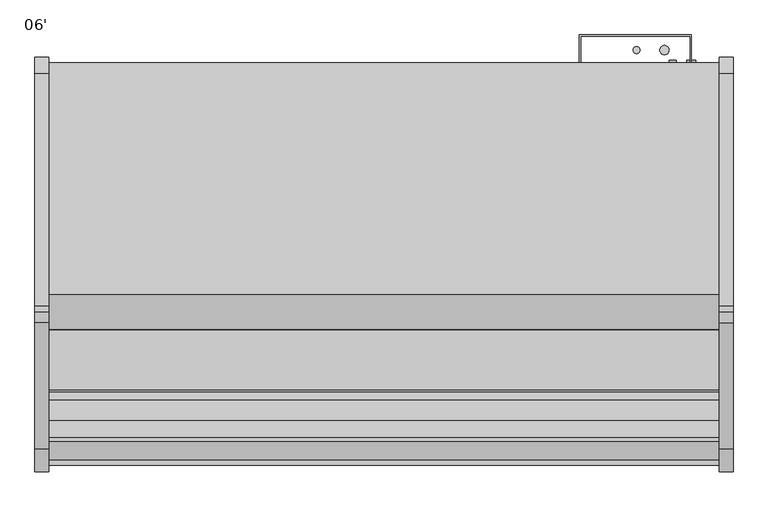
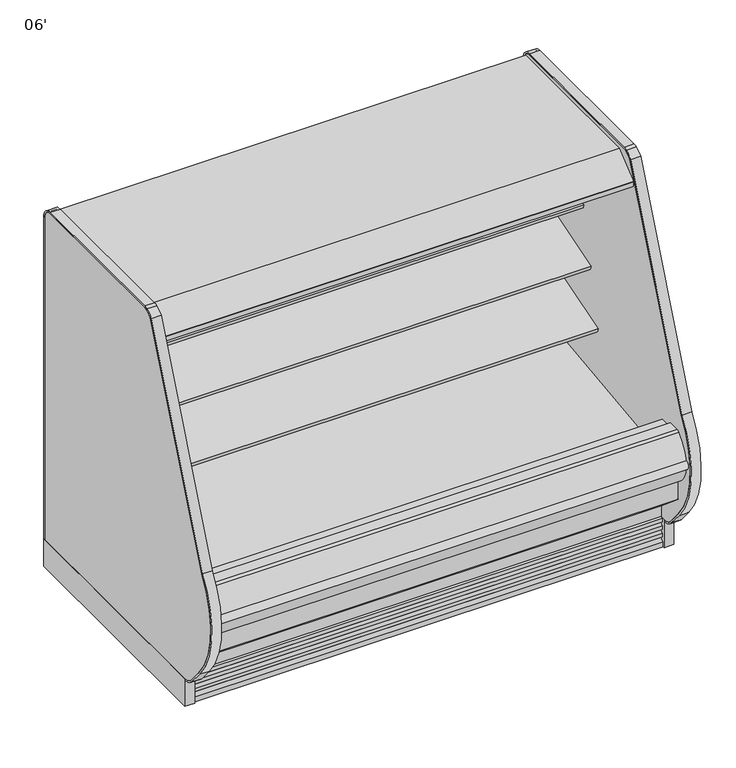
"""IFC4 building model written with IfcOpenShell, lengths in millimetres: proxy geometry, 06'."""

from ifc_helpers import new_model, si_unit, point, frame, frame_2d, origin, origin_with_axes, place, context, project, spatial, polyline, circle_curve, trimmed, segment, composite_curve, outline, extrude, source, transform, mapped, element, save
from ifc_brep_helpers import plane_surface, cylinder_surface, revolved_surface, advanced_brep


def proxy_06_d00bacb0(model_context):
    return source(origin(), model_context, "Body", "SolidModel", [
        extrude(outline(composite_curve([segment(polyline([(-514.4888601, 1379.0768001), (-504.7813461, 1382.0750951), (-504.5146416, 1381.2115916), (-503.4474703, 1381.2115916), (-503.4474703, 1287.4472598), (-528.7426845, 1283.8944637)]), True, "CONTINUOUS"), segment(trimmed(circle_curve(frame_2d((-528.8825674, 1285.4681389)), 1.57988), [point((-528.7426845, 1283.8944637))], [point((-530.4470722, 1285.2482621))], False, "CARTESIAN"), True, "CONTINUOUS"), segment(polyline([(-530.4470722, 1285.2482621), (-531.3318818, 1291.5440101), (-530.5471142, 1291.654302), (-529.5527196, 1284.5788169), (-505.9719612, 1287.8928764), (-520.0679999, 1388.1914034), (-542.8285813, 1385.1690478)]), True, "CONTINUOUS"), segment(trimmed(circle_curve(frame_2d((-542.7249331, 1384.3884994)), 0.7874), [point((-542.8285813, 1385.1690478))], [point((-543.5054815, 1384.2848511))], True, "CARTESIAN"), True, "CONTINUOUS"), segment(polyline([(-543.5054815, 1384.2848511), (-542.4823725, 1376.580081), (-543.2629211, 1376.4764348), (-544.2860298, 1384.1812028)]), True, "CONTINUOUS"), segment(trimmed(circle_curve(frame_2d((-542.7249331, 1384.3884994)), 1.5748), [point((-544.2860298, 1384.1812028))], [point((-542.9322296, 1385.9495962))], False, "CARTESIAN"), True, "CONTINUOUS"), segment(polyline([(-542.9322296, 1385.9495962), (-518.9678184, 1389.1318072)]), True, "CONTINUOUS"), segment(trimmed(circle_curve(frame_2d((-518.7605219, 1387.5707104)), 1.5748), [point((-518.9678184, 1389.1318072))], [point((-517.2558572, 1388.0354462))], False, "CARTESIAN"), True, "CONTINUOUS"), segment(polyline([(-517.2558572, 1388.0354462), (-514.4888601, 1379.0768001)]), True, "CONTINUOUS")], self_intersect=False)), frame((0.0, 0.0, 0.0), z_axis=(1.0, 0.0, 0.0), x_axis=(0.0, 1.0, 0.0)), (0.0, 0.0, 1.0), 1828.8),
        extrude(outline(polyline([(-401.512379, 1460.3537164), (-401.512379, 1413.9257811), (-452.2793831, 1413.9257811), (-452.2793831, 1381.2115916), (-917.2646416, 1381.2115916), (-919.3438906, 1387.9435306), (-924.1383368, 1386.4627021), (-948.2083769, 1415.1482588), (-1054.9766947, 1415.1482588), (-1055.8148947, 1414.3100588), (-1055.8148947, 1403.1848588), (-1056.3729843, 1402.0060488), (-1101.0108272, 1365.4300488), (-1101.9767376, 1365.0848588), (-1113.4733607, 1365.0848588), (-1113.4733607, 1363.1530833), (-1129.3737607, 1363.1530833), (-1129.3737607, 1381.4220333), (-1128.7805992, 1382.6656223), (-1032.8437928, 1460.3537164), (-401.512379, 1460.3537164)])), frame((0.0, 0.0, 0.0), z_axis=(1.0, 0.0, 0.0), x_axis=(0.0, 1.0, 0.0)), (0.0, 0.0, 1.0), 1828.8),
        extrude(outline(composite_curve([segment(polyline([(-505.9719612, 1287.8928764), (-529.5527196, 1284.5788169), (-530.5471142, 1291.654302), (-542.4775484, 1376.5437523), (-543.5054815, 1384.2848511)]), True, "CONTINUOUS"), segment(trimmed(circle_curve(frame_2d((-542.7249331, 1384.3884994)), 0.7874), [point((-543.5054815, 1384.2848511))], [point((-542.8285813, 1385.1690478))], False, "CARTESIAN"), True, "CONTINUOUS"), segment(polyline([(-542.8285813, 1385.1690478), (-520.0679999, 1388.1914034), (-505.9719612, 1287.8928764)]), True, "CONTINUOUS")], self_intersect=False)), frame((0.0, 0.0, 0.0), z_axis=(1.0, 0.0, 0.0), x_axis=(0.0, 1.0, 0.0)), (0.0, 0.0, 1.0), 1828.8),
        extrude(outline(composite_curve([segment(trimmed(circle_curve(frame_2d((-999.7570947, 1392.4692338)), 14.2875), [point((-1014.0445947, 1392.4692338))], [point((-985.4695947, 1392.4692338))], False, "CARTESIAN"), True, "CONTINUOUS"), segment(trimmed(circle_curve(frame_2d((-999.7570947, 1392.4692338)), 14.2875), [point((-985.4695947, 1392.4692338))], [point((-1014.0445947, 1392.4692338))], False, "CARTESIAN"), True, "CONTINUOUS")], self_intersect=False)), frame((0.0, 0.0, 0.0), z_axis=(1.0, 0.0, 0.0), x_axis=(0.0, 1.0, 0.0)), (0.0, 0.0, 1.0), 1828.8),
        extrude(outline(composite_curve([segment(trimmed(circle_curve(frame_2d((-1037.1458947, 1392.4692338)), 14.2875), [point((-1051.4333947, 1392.4692338))], [point((-1022.8583947, 1392.4692338))], False, "CARTESIAN"), True, "CONTINUOUS"), segment(trimmed(circle_curve(frame_2d((-1037.1458947, 1392.4692338)), 14.2875), [point((-1022.8583947, 1392.4692338))], [point((-1051.4333947, 1392.4692338))], False, "CARTESIAN"), True, "CONTINUOUS")], self_intersect=False)), frame((0.0, 0.0, 0.0), z_axis=(1.0, 0.0, 0.0), x_axis=(0.0, 1.0, 0.0)), (0.0, 0.0, 1.0), 1828.8),
        extrude(outline(composite_curve([segment(trimmed(circle_curve(frame_2d((1583.9400636, -1128.5839273)), 9.525), [point((1574.4150636, -1128.5839273))], [point((1593.4650636, -1128.5839273))], False, "CARTESIAN"), True, "CONTINUOUS"), segment(trimmed(circle_curve(frame_2d((1583.9400636, -1128.5839273)), 9.525), [point((1593.4650636, -1128.5839273))], [point((1574.4150636, -1128.5839273))], False, "CARTESIAN"), True, "CONTINUOUS")], self_intersect=False)), frame((0.0, 0.0, 68.5310382), z_axis=(0.0, 0.0, 1.0), x_axis=(1.0, 0.0, 0.0)), (0.0, 0.0, 1.0), 52.7807458),
        extrude(outline(composite_curve([segment(trimmed(circle_curve(frame_2d((1627.4110784, -1128.5839273)), 12.7), [point((1614.7110784, -1128.5839273))], [point((1640.1110784, -1128.5839273))], False, "CARTESIAN"), True, "CONTINUOUS"), segment(trimmed(circle_curve(frame_2d((1627.4110784, -1128.5839273)), 12.7), [point((1640.1110784, -1128.5839273))], [point((1614.7110784, -1128.5839273))], False, "CARTESIAN"), True, "CONTINUOUS")], self_intersect=False)), frame((0.0, 0.0, 68.5310382), z_axis=(0.0, 0.0, 1.0), x_axis=(1.0, 0.0, 0.0)), (0.0, 0.0, 1.0), 52.7807458),
        extrude(outline(polyline([(0.0, -385.6339273), (0.0, -1335.5812273), (-38.1, -1335.5812273), (-38.1, -385.6339273), (0.0, -385.6339273)])), origin_with_axes(), (0.0, 0.0, 1.0), 114.3),
        extrude(outline(composite_curve([segment(polyline([(-1335.5812273, 114.3), (-1335.5812273, 107.95)]), True, "CONTINUOUS"), segment(trimmed(circle_curve(frame_2d((-1335.5812273, 171.45)), 63.5), [point((-1335.5812273, 107.95))], [point((-1384.2250494, 130.6329868))], False, "CARTESIAN"), True, "CONTINUOUS"), segment(polyline([(-1384.2250494, 130.6329868), (-1436.0410491, 192.3848905)]), True, "CONTINUOUS"), segment(trimmed(circle_curve(frame_2d((-1168.5000273, 416.8784632)), 349.25), [point((-1436.0410491, 192.3848905))], [point((-1454.3903468, 617.483268))], False, "CARTESIAN"), True, "CONTINUOUS"), segment(polyline([(-1454.3903468, 617.483268), (-1110.732737, 1459.5627752)]), True, "CONTINUOUS"), segment(trimmed(circle_curve(frame_2d((-1055.3093188, 1414.5072746)), 71.4265596), [point((-1110.732737, 1459.5627752))], [point((-1080.5868944, 1481.3114481))], False, "CARTESIAN"), True, "CONTINUOUS"), segment(trimmed(circle_curve(frame_2d((-1064.856216, 1439.73804)), 44.45), [point((-1080.5868944, 1481.3114481))], [point((-1064.856216, 1484.18804))], False, "CARTESIAN"), True, "CONTINUOUS"), segment(polyline([(-1064.856216, 1484.18804), (-430.0839273, 1484.18804)]), True, "CONTINUOUS"), segment(trimmed(circle_curve(frame_2d((-430.0839273, 1439.73804)), 44.45), [point((-430.0839273, 1484.18804))], [point((-385.6339273, 1439.73804))], False, "CARTESIAN"), True, "CONTINUOUS"), segment(polyline([(-385.6339273, 1439.73804), (-385.6339273, 114.3), (-391.9839273, 114.3), (-391.9839273, 1439.73804)]), True, "CONTINUOUS"), segment(trimmed(circle_curve(frame_2d((-430.0839273, 1439.73804)), 38.1), [point((-391.9839273, 1439.73804))], [point((-430.0839273, 1477.83804))], True, "CARTESIAN"), True, "CONTINUOUS"), segment(polyline([(-430.0839273, 1477.83804), (-1064.856216, 1477.83804)]), True, "CONTINUOUS"), segment(trimmed(circle_curve(frame_2d((-1064.856216, 1439.73804)), 38.1), [point((-1064.856216, 1477.83804))], [point((-1078.3396546, 1475.3723898))], True, "CARTESIAN"), True, "CONTINUOUS"), segment(trimmed(circle_curve(frame_2d((-1055.3093188, 1414.5072746)), 65.0765596), [point((-1078.3396546, 1475.3723898))], [point((-1103.7237451, 1457.9929266))], True, "CARTESIAN"), True, "CONTINUOUS"), segment(polyline([(-1103.7237451, 1457.9929266), (-1449.192341, 613.8359079)]), True, "CONTINUOUS"), segment(trimmed(circle_curve(frame_2d((-1168.5000273, 416.8784632)), 342.9), [point((-1449.192341, 613.8359079))], [point((-1431.1766668, 196.4665918))], True, "CARTESIAN"), True, "CONTINUOUS"), segment(polyline([(-1431.1766668, 196.4665918), (-1379.3606672, 134.7146881)]), True, "CONTINUOUS"), segment(trimmed(circle_curve(frame_2d((-1335.5812273, 171.45)), 57.15), [point((-1379.3606672, 134.7146881))], [point((-1335.5812273, 114.3))], True, "CARTESIAN"), True, "CONTINUOUS")], self_intersect=False)), frame((-38.1, 0.0, 0.0), z_axis=(1.0, 0.0, 0.0), x_axis=(0.0, 1.0, 0.0)), (0.0, 0.0, 1.0), 38.1),
        extrude(outline(composite_curve([segment(trimmed(circle_curve(frame_2d((-1335.5812273, 171.45)), 57.15), [point((-1335.5812273, 114.3))], [point((-1379.3606672, 134.7146881))], False, "CARTESIAN"), True, "CONTINUOUS"), segment(polyline([(-1379.3606672, 134.7146881), (-1431.1766668, 196.4665918)]), True, "CONTINUOUS"), segment(trimmed(circle_curve(frame_2d((-1168.5000273, 416.8784632)), 342.9), [point((-1431.1766668, 196.4665918))], [point((-1449.192341, 613.8359079))], False, "CARTESIAN"), True, "CONTINUOUS"), segment(polyline([(-1449.192341, 613.8359079), (-1103.7237451, 1457.9929266)]), True, "CONTINUOUS"), segment(trimmed(circle_curve(frame_2d((-1055.3093188, 1414.5072746)), 65.0765596), [point((-1103.7237451, 1457.9929266))], [point((-1078.3396546, 1475.3723898))], False, "CARTESIAN"), True, "CONTINUOUS"), segment(trimmed(circle_curve(frame_2d((-1064.856216, 1439.73804)), 38.1), [point((-1078.3396546, 1475.3723898))], [point((-1064.856216, 1477.83804))], False, "CARTESIAN"), True, "CONTINUOUS"), segment(polyline([(-1064.856216, 1477.83804), (-430.0839273, 1477.83804)]), True, "CONTINUOUS"), segment(trimmed(circle_curve(frame_2d((-430.0839273, 1439.73804)), 38.1), [point((-430.0839273, 1477.83804))], [point((-391.9839273, 1439.73804))], False, "CARTESIAN"), True, "CONTINUOUS"), segment(polyline([(-391.9839273, 1439.73804), (-391.9839273, 114.3), (-1335.5812273, 114.3)]), True, "CONTINUOUS")], self_intersect=False)), frame((-38.1, 0.0, 0.0), z_axis=(1.0, 0.0, 0.0), x_axis=(0.0, 1.0, 0.0)), (0.0, 0.0, 1.0), 38.1),
        advanced_brep(
        [(1828.8, -503.4770145, 962.9449857), (1828.8, -843.5389858, 858.9776075), (1828.8, -839.3802906, 845.3751286), (1828.8, -785.6094334, 861.8145294), (1828.8, -783.1797893, 858.9595892), (1828.8, -595.4632769, 891.5703852), (1828.8, -560.8291108, 887.8925043), (1828.8, -539.533713, 879.2978657), (1828.8, -522.1893768, 878.6915182), (1828.8, -503.4770145, 884.7372079), (0.0, -503.4770145, 962.9449857), (0.0, -503.4770145, 884.7372079), (0.0, -522.1820399, 878.668903), (0.0, -539.533713, 879.2978657), (0.0, -560.8291108, 887.8925043), (0.0, -595.4632769, 891.5703852), (0.0, -783.1797893, 858.9595892), (0.0, -785.6094334, 861.8145294), (0.0, -839.3802906, 845.3751286), (0.0, -843.5389858, 858.9776075)],
        [
            (0, 1),
            (1, 2),
            (2, 3),
            (3, 4),
            (4, 5),
            (5, 6, circle_curve(frame((1828.8, -584.5946142, 829.0074396), z_axis=(-1.0, 0.0, 0.0), x_axis=(0.0, 1.0, 0.0)), 63.5)),
            (6, 7),
            (7, 8, circle_curve(frame((1828.8, -530.0275116, 902.8518916), z_axis=(1.0, 0.0, 0.0), x_axis=(0.0, 1.0, 0.0)), 25.4)),
            (8, 9),
            (9, 0),
            (10, 11),
            (11, 12),
            (12, 13, circle_curve(frame((0.0, -530.0275116, 902.8518916), z_axis=(-1.0, 0.0, 0.0), x_axis=(0.0, 1.0, 0.0)), 25.4)),
            (13, 14),
            (14, 15, circle_curve(frame((0.0, -584.5946142, 829.0074396), z_axis=(1.0, 0.0, 0.0), x_axis=(0.0, 1.0, 0.0)), 63.5)),
            (15, 16),
            (16, 17),
            (17, 18),
            (18, 19),
            (19, 10),
            (0, 10),
            (19, 1),
            (2, 18),
            (17, 3),
            (8, 12),
            (11, 9),
            (16, 4),
            (15, 5),
            (14, 6),
            (13, 7),
        ],
        [
            plane_surface(frame((1828.8, -503.4770145, 962.9449857), z_axis=(1.0, 0.0, 0.0), x_axis=(0.0, -0.9563047559631226, -0.2923717047224518))),
            plane_surface(frame((0.0, -503.4770145, 962.9449857), z_axis=(-1.0, 0.0, 0.0), x_axis=(0.0, 0.9563047559631226, 0.2923717047224518))),
            plane_surface(frame((1828.8, -503.4770145, 962.9449857), z_axis=(0.0, -0.2923717047224518, 0.9563047559631226), x_axis=(-1.0, 0.0, 0.0))),
            plane_surface(frame((1828.8, -839.3802906, 845.3751286), z_axis=(0.0, 0.2923717047224529, -0.9563047559631223), x_axis=(-1.0, 0.0, 0.0))),
            plane_surface(frame((1828.8, -522.1820399, 878.668903), z_axis=(0.0, 0.3085879853198186, -0.9511958028272914), x_axis=(-1.0, 0.0, 0.0))),
            plane_surface(frame((1828.8, -503.4770145, 884.7372079), z_axis=(0.0, 1.0, 0.0), x_axis=(-1.0, 0.0, 0.0))),
            plane_surface(frame((1828.8, -843.5389858, 858.9776075), z_axis=(0.0, -0.9563047559631227, -0.29237170472245155), x_axis=(-1.0, 0.0, 0.0))),
            plane_surface(frame((1828.8, -785.6094334, 861.8145294), z_axis=(0.0, -0.761551533788134, -0.648104359949029), x_axis=(-1.0, 0.0, 0.0))),
            plane_surface(frame((1828.8, -783.1797893, 858.9595892), z_axis=(0.0, 0.17116004276831903, -0.9852432388804032), x_axis=(-1.0, 0.0, 0.0))),
            revolved_surface(polyline([(0.0, -521.0946142, 829.0074396), (1828.8, -521.0946142, 829.0074396)]), (0.0, -584.5946142, 829.0074396), (-1.0, 0.0, 0.0)),
            plane_surface(frame((1828.8, -560.8291108, 887.8925043), z_axis=(0.0, -0.374259895190447, -0.9273238543529632), x_axis=(-1.0, 0.0, 0.0))),
            cylinder_surface(frame((0.0, -530.0275116, 902.8518916), z_axis=(1.0, 0.0, 0.0), x_axis=(0.0, 1.0, 0.0)), 25.4),
        ],
        [
            (0, [[1, 2, 3, 4, 5, 6, 7, 8, 9, 10]]),
            (1, [[11, 12, 13, 14, 15, 16, 17, 18, 19, 20]]),
            (2, [[-1, 21, -20, 22]]),
            (3, [[-3, 23, -18, 24]]),
            (4, [[-9, 25, -12, 26]]),
            (5, [[-10, -26, -11, -21]]),
            (6, [[-2, -22, -19, -23]]),
            (7, [[-4, -24, -17, 27]]),
            (8, [[-5, -27, -16, 28]]),
            (9, [[-6, -28, -15, 29]]),
            (10, [[-7, -29, -14, 30]]),
            (11, [[-8, -30, -13, -25]]),
        ],
    ),
        extrude(outline(polyline([(1866.9, -385.6339273), (1866.9, -1335.5812273), (1828.8, -1335.5812273), (1828.8, -385.6339273), (1866.9, -385.6339273)])), origin_with_axes(), (0.0, 0.0, 1.0), 114.3),
        extrude(outline(composite_curve([segment(polyline([(-1335.5812273, 114.3), (-1335.5812273, 107.95)]), True, "CONTINUOUS"), segment(trimmed(circle_curve(frame_2d((-1335.5812273, 171.45)), 63.5), [point((-1335.5812273, 107.95))], [point((-1384.2250494, 130.6329868))], False, "CARTESIAN"), True, "CONTINUOUS"), segment(polyline([(-1384.2250494, 130.6329868), (-1436.0410491, 192.3848905)]), True, "CONTINUOUS"), segment(trimmed(circle_curve(frame_2d((-1168.5000273, 416.8784632)), 349.25), [point((-1436.0410491, 192.3848905))], [point((-1454.3903468, 617.483268))], False, "CARTESIAN"), True, "CONTINUOUS"), segment(polyline([(-1454.3903468, 617.483268), (-1110.1198402, 1460.306403)]), True, "CONTINUOUS"), segment(trimmed(circle_curve(frame_2d((-1055.3093188, 1414.5072746)), 71.4265596), [point((-1110.1198402, 1460.306403))], [point((-1080.5868944, 1481.3114481))], False, "CARTESIAN"), True, "CONTINUOUS"), segment(trimmed(circle_curve(frame_2d((-1064.856216, 1439.73804)), 44.45), [point((-1080.5868944, 1481.3114481))], [point((-1064.856216, 1484.18804))], False, "CARTESIAN"), True, "CONTINUOUS"), segment(polyline([(-1064.856216, 1484.18804), (-430.0839273, 1484.18804)]), True, "CONTINUOUS"), segment(trimmed(circle_curve(frame_2d((-430.0839273, 1439.73804)), 44.45), [point((-430.0839273, 1484.18804))], [point((-385.6339273, 1439.73804))], False, "CARTESIAN"), True, "CONTINUOUS"), segment(polyline([(-385.6339273, 1439.73804), (-385.6339273, 114.3), (-391.9839273, 114.3), (-391.9839273, 1439.73804)]), True, "CONTINUOUS"), segment(trimmed(circle_curve(frame_2d((-430.0839273, 1439.73804)), 38.1), [point((-391.9839273, 1439.73804))], [point((-430.0839273, 1477.83804))], True, "CARTESIAN"), True, "CONTINUOUS"), segment(polyline([(-430.0839273, 1477.83804), (-1064.856216, 1477.83804)]), True, "CONTINUOUS"), segment(trimmed(circle_curve(frame_2d((-1064.856216, 1439.73804)), 38.1), [point((-1064.856216, 1477.83804))], [point((-1078.3396546, 1475.3723898))], True, "CARTESIAN"), True, "CONTINUOUS"), segment(trimmed(circle_curve(frame_2d((-1055.3093188, 1414.5072746)), 65.0765596), [point((-1078.3396546, 1475.3723898))], [point((-1103.7237451, 1457.9929266))], True, "CARTESIAN"), True, "CONTINUOUS"), segment(polyline([(-1103.7237451, 1457.9929266), (-1449.192341, 613.8359079)]), True, "CONTINUOUS"), segment(trimmed(circle_curve(frame_2d((-1168.5000273, 416.8784632)), 342.9), [point((-1449.192341, 613.8359079))], [point((-1431.1766668, 196.4665918))], True, "CARTESIAN"), True, "CONTINUOUS"), segment(polyline([(-1431.1766668, 196.4665918), (-1379.3606672, 134.7146881)]), True, "CONTINUOUS"), segment(trimmed(circle_curve(frame_2d((-1335.5812273, 171.45)), 57.15), [point((-1379.3606672, 134.7146881))], [point((-1335.5812273, 114.3))], True, "CARTESIAN"), True, "CONTINUOUS")], self_intersect=False)), frame((1828.8, 0.0, 0.0), z_axis=(1.0, 0.0, 0.0), x_axis=(0.0, 1.0, 0.0)), (0.0, 0.0, 1.0), 38.1),
        extrude(outline(composite_curve([segment(trimmed(circle_curve(frame_2d((-1335.5812273, 171.45)), 57.15), [point((-1335.5812273, 114.3))], [point((-1379.3606672, 134.7146881))], False, "CARTESIAN"), True, "CONTINUOUS"), segment(polyline([(-1379.3606672, 134.7146881), (-1431.1766668, 196.4665918)]), True, "CONTINUOUS"), segment(trimmed(circle_curve(frame_2d((-1168.5000273, 416.8784632)), 342.9), [point((-1431.1766668, 196.4665918))], [point((-1449.192341, 613.8359079))], False, "CARTESIAN"), True, "CONTINUOUS"), segment(polyline([(-1449.192341, 613.8359079), (-1103.7237451, 1457.9929266)]), True, "CONTINUOUS"), segment(trimmed(circle_curve(frame_2d((-1055.3093188, 1414.5072746)), 65.0765596), [point((-1103.7237451, 1457.9929266))], [point((-1078.3396546, 1475.3723898))], False, "CARTESIAN"), True, "CONTINUOUS"), segment(trimmed(circle_curve(frame_2d((-1064.856216, 1439.73804)), 38.1), [point((-1078.3396546, 1475.3723898))], [point((-1064.856216, 1477.83804))], False, "CARTESIAN"), True, "CONTINUOUS"), segment(polyline([(-1064.856216, 1477.83804), (-430.0839273, 1477.83804)]), True, "CONTINUOUS"), segment(trimmed(circle_curve(frame_2d((-430.0839273, 1439.73804)), 38.1), [point((-430.0839273, 1477.83804))], [point((-391.9839273, 1439.73804))], False, "CARTESIAN"), True, "CONTINUOUS"), segment(polyline([(-391.9839273, 1439.73804), (-391.9839273, 114.3), (-1335.5812273, 114.3)]), True, "CONTINUOUS")], self_intersect=False)), frame((1828.8, 0.0, 0.0), z_axis=(1.0, 0.0, 0.0), x_axis=(0.0, 1.0, 0.0)), (0.0, 0.0, 1.0), 38.1),
        extrude(outline(composite_curve([segment(polyline([(-503.4770145, 1171.6412699), (-503.4770145, 1093.4334921), (-520.8520366, 1087.7966684)]), True, "CONTINUOUS"), segment(trimmed(circle_curve(frame_2d((-528.6901714, 1111.9570418)), 25.4), [point((-520.8520366, 1087.7966684))], [point((-538.1963728, 1088.4030158))], False, "CARTESIAN"), True, "CONTINUOUS"), segment(polyline([(-538.1963728, 1088.4030158), (-559.4917707, 1096.9976544)]), True, "CONTINUOUS"), segment(trimmed(circle_curve(frame_2d((-583.257274, 1038.1125897)), 63.5), [point((-559.4917707, 1096.9976544))], [point((-594.1259367, 1100.6755354))], True, "CARTESIAN"), True, "CONTINUOUS"), segment(polyline([(-594.1259367, 1100.6755354), (-731.8940366, 1083.3355015), (-734.3236807, 1086.1904418), (-790.800009, 1068.9238954), (-794.9587042, 1082.5263743), (-503.4770145, 1171.6412699)]), True, "CONTINUOUS")], self_intersect=False)), frame((0.0, 0.0, 0.0), z_axis=(1.0, 0.0, 0.0), x_axis=(0.0, 1.0, 0.0)), (0.0, 0.0, 1.0), 1828.8),
        extrude(outline(composite_curve([segment(polyline([(-503.4770145, 671.8796647), (-522.1893768, 665.8089796)]), True, "CONTINUOUS"), segment(trimmed(circle_curve(frame_2d((-530.0275116, 689.969353)), 25.4), [point((-522.1893768, 665.8089796))], [point((-539.533713, 666.4153271))], False, "CARTESIAN"), True, "CONTINUOUS"), segment(polyline([(-539.533713, 666.4153271), (-560.8291108, 675.0099657)]), True, "CONTINUOUS"), segment(trimmed(circle_curve(frame_2d((-584.5946142, 616.1249009)), 63.5), [point((-560.8291108, 675.0099657))], [point((-595.4632769, 678.6878466))], True, "CARTESIAN"), True, "CONTINUOUS"), segment(polyline([(-595.4632769, 678.6878466), (-783.1797893, 646.0770506), (-785.6094334, 648.9319908), (-887.9605722, 617.6401074), (-892.1192674, 631.2425862), (-503.4770145, 750.062447), (-503.4770145, 671.8796647)]), True, "CONTINUOUS")], self_intersect=False)), frame((0.0, 0.0, 0.0), z_axis=(1.0, 0.0, 0.0), x_axis=(0.0, 1.0, 0.0)), (0.0, 0.0, 1.0), 1828.8),
        extrude(outline(composite_curve([segment(trimmed(circle_curve(frame_2d((-1361.5699211, 436.6703424)), 127.0351724), [point((-1488.6036317, 437.2797696))], [point((-1486.6937497, 414.7166966))], True, "CARTESIAN"), True, "CONTINUOUS"), segment(trimmed(circle_curve(frame_2d((-1482.3543869, 431.8734576)), 17.69702), [point((-1486.6937497, 414.7166966))], [point((-1485.9120457, 449.209189))], False, "CARTESIAN"), True, "CONTINUOUS"), segment(trimmed(circle_curve(frame_2d((-1313.9651645, 404.1451627)), 177.7540334), [point((-1485.9120457, 449.209189))], [point((-1488.6036317, 437.2797696))], True, "CARTESIAN"), True, "CONTINUOUS")], self_intersect=False)), frame((0.0, 0.0, 0.0), z_axis=(1.0, 0.0, 0.0), x_axis=(0.0, 1.0, 0.0)), (0.0, 0.0, 1.0), 1828.8),
        extrude(outline(composite_curve([segment(polyline([(-1430.5207837, 390.4771975), (-1430.5207837, 349.191578), (-1455.8537478, 349.191578)]), True, "CONTINUOUS"), segment(trimmed(circle_curve(frame_2d((-1360.3674523, 434.1532094)), 127.8127984), [point((-1455.8537478, 349.191578))], [point((-1488.0175216, 440.6007866))], False, "CARTESIAN"), True, "CONTINUOUS"), segment(trimmed(circle_curve(frame_2d((-1312.8856615, 403.1660664)), 179.0880417), [point((-1488.0175216, 440.6007866))], [point((-1434.0757284, 535.020131))], False, "CARTESIAN"), True, "CONTINUOUS"), segment(trimmed(circle_curve(frame_2d((-1421.997786, 522.055071)), 17.7191838), [point((-1434.0757284, 535.020131))], [point((-1422.9245877, 539.75))], False, "CARTESIAN"), True, "CONTINUOUS"), segment(polyline([(-1422.9245877, 539.75), (-1377.3315877, 539.75), (-1377.3315877, 520.4426474), (-1379.5124455, 520.4426474), (-1379.5124455, 390.4771975), (-1430.5207837, 390.4771975)]), True, "CONTINUOUS")], self_intersect=False)), frame((0.0, 0.0, 0.0), z_axis=(1.0, 0.0, 0.0), x_axis=(0.0, 1.0, 0.0)), (0.0, 0.0, 1.0), 1828.8),
        extrude(outline(composite_curve([segment(polyline([(-1305.8908654, 151.2490419), (-1305.8908654, 0.0), (-1329.0357106, 0.0), (-1329.0357106, 19.9045671)]), True, "CONTINUOUS"), segment(trimmed(circle_curve(frame_2d((-1328.499887, 33.5999438)), 13.7058546), [point((-1329.0357106, 19.9045671))], [point((-1315.4179076, 29.51188))], True, "CARTESIAN"), True, "CONTINUOUS"), segment(polyline([(-1315.4179076, 29.51188), (-1311.9288106, 40.67714), (-1322.5660058, 38.5193172), (-1324.5599058, 38.5193172), (-1324.5599058, 51.2193172)]), True, "CONTINUOUS"), segment(trimmed(circle_curve(frame_2d((-1328.9777736, 64.7214645)), 14.2065314), [point((-1324.5599058, 51.2193172))], [point((-1315.4179076, 60.4840631))], True, "CARTESIAN"), True, "CONTINUOUS"), segment(polyline([(-1315.4179076, 60.4840631), (-1311.9288106, 71.6493231), (-1322.5660058, 69.4915004), (-1324.5599058, 69.4915004), (-1324.5599058, 82.1915004)]), True, "CONTINUOUS"), segment(trimmed(circle_curve(frame_2d((-1329.0501489, 95.765064)), 14.2969897), [point((-1324.5599058, 82.1915004))], [point((-1315.4179076, 91.4562462))], True, "CARTESIAN"), True, "CONTINUOUS"), segment(polyline([(-1315.4179076, 91.4562462), (-1311.9288106, 102.4950543), (-1322.5660058, 100.4638704), (-1324.5599058, 100.4638704), (-1324.5599058, 113.1638704)]), True, "CONTINUOUS"), segment(trimmed(circle_curve(frame_2d((-1323.9621412, 124.1285303)), 10.9809422), [point((-1324.5599058, 113.1638704))], [point((-1316.1764071, 116.3849243))], True, "CARTESIAN"), True, "CONTINUOUS"), segment(polyline([(-1316.1764071, 116.3849243), (-1316.1764071, 159.8796362), (-1305.8908654, 151.2490419)]), True, "CONTINUOUS")], self_intersect=False)), frame((0.0, 0.0, 0.0), z_axis=(1.0, 0.0, 0.0), x_axis=(0.0, 1.0, 0.0)), (0.0, 0.0, 1.0), 1828.8),
        extrude(outline(composite_curve([segment(trimmed(circle_curve(frame_2d((1603.375, -366.5839273)), 9.525), [point((1593.85, -366.5839273))], [point((1612.9, -366.5839273))], False, "CARTESIAN"), True, "CONTINUOUS"), segment(trimmed(circle_curve(frame_2d((1603.375, -366.5839273)), 9.525), [point((1612.9, -366.5839273))], [point((1593.85, -366.5839273))], False, "CARTESIAN"), True, "CONTINUOUS")], self_intersect=False)), frame((0.0, 0.0, 938.4284214), z_axis=(0.0, 0.0, 1.0), x_axis=(1.0, 0.0, 0.0)), (0.0, 0.0, 1.0), 359.2448082),
        extrude(outline(composite_curve([segment(trimmed(circle_curve(frame_2d((1679.575, -366.5839273)), 12.7), [point((1666.875, -366.5839273))], [point((1692.275, -366.5839273))], False, "CARTESIAN"), True, "CONTINUOUS"), segment(trimmed(circle_curve(frame_2d((1679.575, -366.5839273)), 12.7), [point((1692.275, -366.5839273))], [point((1666.875, -366.5839273))], False, "CARTESIAN"), True, "CONTINUOUS")], self_intersect=False)), frame((0.0, 0.0, 938.4284214), z_axis=(0.0, 0.0, 1.0), x_axis=(1.0, 0.0, 0.0)), (0.0, 0.0, 1.0), 359.2448082),
        extrude(outline(polyline([(1749.425, -401.5089273), (1749.425, -328.4839273), (1450.975, -328.4839273), (1450.975, -401.5089273), (1447.8, -401.5089273), (1447.8, -325.3089273), (1752.6, -325.3089273), (1752.6, -401.5089273), (1749.425, -401.5089273)])), frame((0.0, 0.0, 509.3917508), z_axis=(0.0, 0.0, 1.0), x_axis=(1.0, 0.0, 0.0)), (0.0, 0.0, 1.0), 744.968275),
        extrude(outline(composite_curve([segment(trimmed(circle_curve(frame_2d((368.3, 1752.6)), 12.7), [point((368.3, 1765.3))], [point((368.3, 1739.9))], False, "CARTESIAN"), True, "CONTINUOUS"), segment(trimmed(circle_curve(frame_2d((368.3, 1752.6)), 12.7), [point((368.3, 1739.9))], [point((368.3, 1765.3))], False, "CARTESIAN"), True, "CONTINUOUS")], self_intersect=False)), frame((0.0, -446.7209273, 0.0), z_axis=(0.0, 1.0, 0.0), x_axis=(0.0, 0.0, 1.0)), (0.0, 0.0, 1.0), 52.8518438),
        extrude(outline(composite_curve([segment(trimmed(circle_curve(frame_2d((368.3, 1701.8)), 9.525), [point((368.3, 1711.325))], [point((368.3, 1692.275))], False, "CARTESIAN"), True, "CONTINUOUS"), segment(trimmed(circle_curve(frame_2d((368.3, 1701.8)), 9.525), [point((368.3, 1692.275))], [point((368.3, 1711.325))], False, "CARTESIAN"), True, "CONTINUOUS")], self_intersect=False)), frame((0.0, -446.7209273, 0.0), z_axis=(0.0, 1.0, 0.0), x_axis=(0.0, 0.0, 1.0)), (0.0, 0.0, 1.0), 52.8518438),
        extrude(outline(composite_curve([segment(trimmed(circle_curve(frame_2d((914.4, -1125.4089273)), 38.1), [point((876.3, -1125.4089273))], [point((952.5, -1125.4089273))], False, "CARTESIAN"), True, "CONTINUOUS"), segment(trimmed(circle_curve(frame_2d((914.4, -1125.4089273)), 38.1), [point((952.5, -1125.4089273))], [point((876.3, -1125.4089273))], False, "CARTESIAN"), True, "CONTINUOUS")], self_intersect=False)), frame((0.0, 0.0, 68.5310382), z_axis=(0.0, 0.0, 1.0), x_axis=(1.0, 0.0, 0.0)), (0.0, 0.0, 1.0), 52.7807458),
        extrude(outline(polyline([(-1207.4658654, 16.9113003), (-1305.8908654, 16.9113003), (-1305.8908654, 151.2490419), (-1280.7758002, 130.175), (-1207.4658654, 130.175), (-1207.4658654, 16.9113003)])), frame((0.0, 0.0, 0.0), z_axis=(1.0, 0.0, 0.0), x_axis=(0.0, 1.0, 0.0)), (0.0, 0.0, 1.0), 1828.8),
        advanced_brep(
        [(0.0, -401.5089273, 130.175), (0.0, -401.5089273, 0.0), (0.0, -446.7209273, 0.0), (0.0, -446.7209273, 74.8810382), (0.0, -1160.5475206, 74.8810382), (0.0, -1160.5475206, 0.0), (0.0, -1207.4658654, 0.0), (0.0, -1207.4658654, 130.175), (1828.8, -401.5089273, 130.175), (1828.8, -1207.4658654, 130.175), (1828.8, -1207.4658654, 0.0), (1828.8, -1160.5475206, 0.0), (1828.8, -1160.5475206, 74.8810382), (1828.8, -446.7209273, 74.8810382), (1828.8, -446.7209273, 0.0), (1828.8, -401.5089273, 0.0), (877.7132277, -1160.5475206, 0.0), (951.0867723, -1160.5475206, 0.0), (1565.5803392, -1160.5475206, 0.0), (1647.5196608, -1160.5475206, 0.0), (877.7132277, -1160.5475206, 74.8810382), (1647.5196608, -1160.5475206, 74.8810382), (951.0867723, -1160.5475206, 74.8810382), (1565.5803392, -1160.5475206, 74.8810382), (1657.35, -1130.5120933, 74.8810382), (1555.75, -1130.5120933, 74.8810382), (965.2, -1125.4089273, 74.8810382), (863.6, -1125.4089273, 74.8810382), (863.6, -1125.4089273, 121.311784), (965.2, -1125.4089273, 121.311784), (1555.75, -1130.5120933, 121.311784), (1657.35, -1130.5120933, 121.311784)],
        [
            (0, 1),
            (1, 2),
            (2, 3),
            (3, 4),
            (4, 5),
            (5, 6),
            (6, 7),
            (7, 0),
            (8, 9),
            (9, 10),
            (10, 11),
            (11, 12),
            (12, 13),
            (13, 14),
            (14, 15),
            (15, 8),
            (7, 9),
            (8, 0),
            (6, 10),
            (5, 16),
            (16, 17, circle_curve(frame((914.4, -1125.4089273, 0.0), z_axis=(0.0, 0.0, 1.0), x_axis=(1.0, 0.0, 0.0)), 50.8)),
            (17, 18),
            (18, 19, circle_curve(frame((1606.55, -1130.5120933, 0.0), z_axis=(0.0, 0.0, 1.0), x_axis=(1.0, 0.0, 0.0)), 50.8)),
            (19, 11),
            (4, 20),
            (20, 16),
            (19, 21),
            (21, 12),
            (17, 22),
            (22, 23),
            (23, 18),
            (3, 13),
            (21, 24, circle_curve(frame((1606.55, -1130.5120933, 74.8810382), z_axis=(0.0, 0.0, 1.0), x_axis=(1.0, 0.0, 0.0)), 50.8)),
            (24, 25, circle_curve(frame((1606.55, -1130.5120933, 74.8810382), z_axis=(0.0, 0.0, 1.0), x_axis=(1.0, 0.0, 0.0)), 50.8)),
            (25, 23, circle_curve(frame((1606.55, -1130.5120933, 74.8810382), z_axis=(0.0, 0.0, 1.0), x_axis=(1.0, 0.0, 0.0)), 50.8)),
            (22, 26, circle_curve(frame((914.4, -1125.4089273, 74.8810382), z_axis=(0.0, 0.0, 1.0), x_axis=(1.0, 0.0, 0.0)), 50.8)),
            (26, 27, circle_curve(frame((914.4, -1125.4089273, 74.8810382), z_axis=(0.0, 0.0, 1.0), x_axis=(1.0, 0.0, 0.0)), 50.8)),
            (27, 20, circle_curve(frame((914.4, -1125.4089273, 74.8810382), z_axis=(0.0, 0.0, 1.0), x_axis=(1.0, 0.0, 0.0)), 50.8)),
            (2, 14),
            (1, 15),
            (28, 29, circle_curve(frame((914.4, -1125.4089273, 121.311784), z_axis=(0.0, 0.0, -1.0), x_axis=(1.0, 0.0, 0.0)), 50.8)),
            (29, 28, circle_curve(frame((914.4, -1125.4089273, 121.311784), z_axis=(0.0, 0.0, -1.0), x_axis=(1.0, 0.0, 0.0)), 50.8)),
            (29, 26),
            (27, 28),
            (30, 31, circle_curve(frame((1606.55, -1130.5120933, 121.311784), z_axis=(0.0, 0.0, -1.0), x_axis=(1.0, 0.0, 0.0)), 50.8)),
            (31, 30, circle_curve(frame((1606.55, -1130.5120933, 121.311784), z_axis=(0.0, 0.0, -1.0), x_axis=(1.0, 0.0, 0.0)), 50.8)),
            (31, 24),
            (25, 30),
        ],
        [
            plane_surface(frame((0.0, -1205.8783654, 130.175), z_axis=(-1.0, 0.0, 0.0), x_axis=(0.0, 1.0, 0.0))),
            plane_surface(frame((1828.8, -1205.8783654, 130.175), z_axis=(1.0, 0.0, 0.0), x_axis=(0.0, -1.0, 0.0))),
            plane_surface(frame((1828.8, -401.5089273, 130.175), z_axis=(0.0, 0.0, 1.0), x_axis=(-1.0, 0.0, 0.0))),
            plane_surface(frame((1828.8, -1207.4658654, 130.175), z_axis=(0.0, -1.0, 0.0), x_axis=(-1.0, 0.0, 0.0))),
            plane_surface(frame((1828.8, -1207.4658654, 0.0), z_axis=(0.0, 0.0, -1.0), x_axis=(-1.0, 0.0, 0.0))),
            plane_surface(frame((1828.8, -1160.5475206, 0.0), z_axis=(0.0, 1.0, 0.0), x_axis=(-1.0, 0.0, 0.0))),
            plane_surface(frame((1828.8, -1160.5475206, 74.8810382), z_axis=(0.0, 0.0, -1.0), x_axis=(-1.0, 0.0, 0.0))),
            plane_surface(frame((1828.8, -446.7209273, 74.8810382), z_axis=(0.0, -1.0, 0.0), x_axis=(-1.0, 0.0, 0.0))),
            plane_surface(frame((1828.8, -446.7209273, 0.0), z_axis=(0.0, 0.0, -1.0), x_axis=(-1.0, 0.0, 0.0))),
            plane_surface(frame((1828.8, -401.5089273, 0.0), z_axis=(0.0, 1.0, 0.0), x_axis=(-1.0, 0.0, 0.0))),
            plane_surface(frame((965.2, -1125.4089273, 121.311784), z_axis=(0.0, 0.0, -1.0), x_axis=(0.0, 1.0, 0.0))),
            revolved_surface(polyline([(965.1999999999999, -1125.4089273, 121.311784), (965.1999999999999, -1125.4089273, 0.0)]), (914.4, -1125.4089273, 0.0), (0.0, 0.0, 1.0)),
            revolved_surface(polyline([(965.1999999999999, -1125.4089273, 121.311784), (965.1999999999999, -1125.4089273, 74.8810382)]), (914.4, -1125.4089273, 0.0), (0.0, 0.0, 1.0)),
            plane_surface(frame((1657.35, -1130.5120933, 121.311784), z_axis=(0.0, 0.0, -1.0), x_axis=(0.0, 1.0, 0.0))),
            revolved_surface(polyline([(1657.35, -1130.5120933, 121.311784), (1657.35, -1130.5120933, 0.0)]), (1606.55, -1130.5120933, 0.0), (0.0, 0.0, 1.0)),
            revolved_surface(polyline([(1657.35, -1130.5120933, 121.311784), (1657.35, -1130.5120933, 74.8810382)]), (1606.55, -1130.5120933, 0.0), (0.0, 0.0, 1.0)),
        ],
        [
            (0, [[1, 2, 3, 4, 5, 6, 7, 8]]),
            (1, [[9, 10, 11, 12, 13, 14, 15, 16]]),
            (2, [[-8, 17, -9, 18]]),
            (3, [[-7, 19, -10, -17]]),
            (4, [[-6, 20, 21, 22, 23, 24, -11, -19]]),
            (5, [[-5, 25, 26, -20]]),
            (5, [[-12, -24, 27, 28]]),
            (5, [[29, 30, 31, -22]]),
            (6, [[-4, 32, -13, -28, 33, 34, 35, -30, 36, 37, 38, -25]]),
            (7, [[-3, 39, -14, -32]]),
            (8, [[-2, 40, -15, -39]]),
            (9, [[-1, -18, -16, -40]]),
            (10, [[41, 42]]),
            (11, [[-42, 43, -36, -29, -21, -26, -38, 44]]),
            (12, [[-41, -44, -37, -43]]),
            (13, [[45, 46]]),
            (14, [[-46, 47, -33, -27, -23, -31, -35, 48]]),
            (15, [[-45, -48, -34, -47]]),
        ],
    ),
        extrude(outline(polyline([(688.975, -695.7578022), (688.975, -1117.5324221), (180.975, -1117.5324221), (180.975, -695.7578022), (688.975, -695.7578022)])), frame((0.0, 0.0, 68.5310382), z_axis=(0.0, 0.0, 1.0), x_axis=(1.0, 0.0, 0.0)), (0.0, 0.0, 1.0), 6.35),
        extrude(outline(polyline([(1828.8, -452.3089273), (1828.8, -503.4770145), (0.0, -503.4770145), (0.0, -452.3089273), (1828.8, -452.3089273)])), frame((0.0, 0.0, 443.9410329), z_axis=(0.0, 0.0, 1.0), x_axis=(1.0, 0.0, 0.0)), (0.0, 0.0, 1.0), 937.4168424),
        advanced_brep(
        [(0.0, -503.4770145, 415.8429537), (0.0, -452.3089273, 415.8429537), (0.0, -452.3089273, 350.7638053), (0.0, -599.382701, 211.674682), (0.0, -1043.4743285, 195.6902403), (0.0, -1096.5862318, 157.108203), (0.0, -1163.4022387, 157.108203), (0.0, -1221.4788318, 189.3021178), (0.0, -1379.5124455, 334.3739209), (0.0, -1379.5124455, 520.4426474), (0.0, -1322.6270145, 520.4426474), (0.0, -1322.6270145, 372.3098474), (0.0, -1298.2271496, 372.3098474), (0.0, -1292.7855784, 374.2514867), (0.0, -599.3661067, 457.3237105), (0.0, -599.0019346, 452.1158065), (0.0, -516.37749, 457.8934705), (0.0, -503.4770145, 470.7939459), (1828.8, -503.4770145, 415.8429537), (1828.8, -503.4770145, 470.7939459), (1828.8, -516.37749, 457.8934705), (1828.8, -599.0019346, 452.1158065), (1828.8, -599.3661067, 457.3237105), (1828.8, -1292.7855784, 374.2514867), (1828.8, -1298.2271496, 372.3098474), (1828.8, -1322.6270145, 372.3098474), (1828.8, -1322.6270145, 520.4426474), (1828.8, -1379.5124455, 520.4426474), (1828.8, -1379.5124455, 334.3739209), (1828.8, -1221.4788318, 189.3021178), (1828.8, -1163.4022387, 157.108203), (1828.8, -1096.5862318, 157.108203), (1828.8, -1043.4743285, 195.6902403), (1828.8, -599.382701, 211.674682), (1828.8, -452.3089273, 350.7638053), (1828.8, -452.3089273, 415.8429537)],
        [
            (0, 1),
            (1, 2),
            (2, 3, circle_curve(frame((0.0, -604.8944357, 364.8057873), z_axis=(-1.0, 0.0, 0.0), x_axis=(0.0, 1.0, 0.0)), 153.2302667)),
            (3, 4),
            (4, 5),
            (5, 6),
            (6, 7),
            (7, 8, circle_curve(frame((0.0, -1227.2834533, 341.5915343), z_axis=(-1.0, 0.0, 0.0), x_axis=(0.0, 1.0, 0.0)), 152.4)),
            (8, 9),
            (9, 10),
            (10, 11),
            (11, 12),
            (12, 13),
            (13, 14),
            (14, 15),
            (15, 16),
            (16, 17, circle_curve(frame((0.0, -516.37749, 470.7939459), z_axis=(1.0, 0.0, 0.0), x_axis=(0.0, 1.0, 0.0)), 12.9004754)),
            (17, 0),
            (18, 19),
            (19, 20, circle_curve(frame((1828.8, -516.37749, 470.7939459), z_axis=(-1.0, 0.0, 0.0), x_axis=(0.0, 1.0, 0.0)), 12.9004754)),
            (20, 21),
            (21, 22),
            (22, 23),
            (23, 24),
            (24, 25),
            (25, 26),
            (26, 27),
            (27, 28),
            (28, 29, circle_curve(frame((1828.8, -1227.2834533, 341.5915343), z_axis=(1.0, 0.0, 0.0), x_axis=(0.0, 1.0, 0.0)), 152.4)),
            (29, 30),
            (30, 31),
            (31, 32),
            (32, 33),
            (33, 34, circle_curve(frame((1828.8, -604.8944357, 364.8057873), z_axis=(1.0, 0.0, 0.0), x_axis=(0.0, 1.0, 0.0)), 153.2302667)),
            (34, 35),
            (35, 18),
            (34, 2),
            (1, 35),
            (0, 18),
            (17, 19),
            (16, 20),
            (15, 21),
            (14, 22),
            (29, 7),
            (6, 30),
            (5, 31),
            (4, 32),
            (3, 33),
            (13, 23),
            (12, 24),
            (11, 25),
            (10, 26),
            (9, 27),
            (8, 28),
        ],
        [
            plane_surface(frame((0.0, -503.4770145, 1092.9956953), z_axis=(-1.0, 0.0, 0.0), x_axis=(0.0, 0.0, -1.0))),
            plane_surface(frame((1828.8, -503.4770145, 1092.9956953), z_axis=(1.0, 0.0, 0.0), x_axis=(0.0, 0.0, 1.0))),
            plane_surface(frame((1828.8, -452.3089273, 350.7638053), z_axis=(0.0, 1.0, 0.0), x_axis=(-1.0, 0.0, 0.0))),
            plane_surface(frame((1828.8, -452.3089273, 415.8429537), z_axis=(0.0, 0.0, 1.0), x_axis=(-1.0, 0.0, 0.0))),
            plane_surface(frame((1828.8, -503.4770145, 415.8429537), z_axis=(0.0, 1.0, 0.0), x_axis=(-1.0, 0.0, 0.0))),
            revolved_surface(polyline([(0.0, -503.47701459999996, 470.7939459), (1828.8, -503.47701459999996, 470.7939459)]), (0.0, -516.37749, 470.7939459), (-1.0, 0.0, 0.0)),
            plane_surface(frame((1828.8, -516.37749, 457.8934705), z_axis=(0.0, -0.06975647369772905, 0.9975640502630686), x_axis=(-1.0, 0.0, 0.0))),
            plane_surface(frame((1828.8, -599.0019346, 452.1158065), z_axis=(0.0, 0.9975640502630934, 0.06975647369737496), x_axis=(-1.0, 0.0, 0.0))),
            plane_surface(frame((1828.8, -1221.4788318, 189.3021178), z_axis=(0.0, -0.48482728759135, -0.8746099137368696), x_axis=(-1.0, 0.0, 0.0))),
            plane_surface(frame((1828.8, -1163.4022387, 157.108203), z_axis=(0.0, 0.0, -1.0), x_axis=(-1.0, 0.0, 0.0))),
            plane_surface(frame((1828.8, -1096.5862318, 157.108203), z_axis=(0.0, 0.5877252382161428, -0.8090605937528897), x_axis=(-1.0, 0.0, 0.0))),
            plane_surface(frame((1828.8, -1043.4743285, 195.6902403), z_axis=(0.0, 0.03597027415217256, -0.9993528602938092), x_axis=(-1.0, 0.0, 0.0))),
            cylinder_surface(frame((0.0, -604.8944357, 364.8057873), z_axis=(1.0, 0.0, 0.0), x_axis=(0.0, 1.0, 0.0)), 153.2302667),
            plane_surface(frame((1828.8, -599.3661067, 457.3237105), z_axis=(0.0, -0.11895026338575308, 0.9929002139391753), x_axis=(-1.0, 0.0, 0.0))),
            plane_surface(frame((1828.8, -1292.7855784, 374.2514867), z_axis=(0.0, -0.33606330765123693, 0.9418393988629432), x_axis=(-1.0, 0.0, 0.0))),
            plane_surface(frame((1828.8, -1298.2271496, 372.3098474), z_axis=(0.0, 0.0, 1.0), x_axis=(-1.0, 0.0, 0.0))),
            plane_surface(frame((1828.8, -1322.6270145, 372.3098474), z_axis=(0.0, 1.0, 0.0), x_axis=(-1.0, 0.0, 0.0))),
            plane_surface(frame((1828.8, -1322.6270145, 520.4426474), z_axis=(0.0, 0.0, 1.0), x_axis=(-1.0, 0.0, 0.0))),
            plane_surface(frame((1828.8, -1379.5124455, 520.4426474), z_axis=(0.0, -1.0, 0.0), x_axis=(-1.0, 0.0, 0.0))),
            cylinder_surface(frame((0.0, -1227.2834533, 341.5915343), z_axis=(1.0, 0.0, 0.0), x_axis=(0.0, 1.0, 0.0)), 152.4),
        ],
        [
            (0, [[1, 2, 3, 4, 5, 6, 7, 8, 9, 10, 11, 12, 13, 14, 15, 16, 17, 18]]),
            (1, [[19, 20, 21, 22, 23, 24, 25, 26, 27, 28, 29, 30, 31, 32, 33, 34, 35, 36]]),
            (2, [[-35, 37, -2, 38]]),
            (3, [[-36, -38, -1, 39]]),
            (4, [[-19, -39, -18, 40]]),
            (5, [[-20, -40, -17, 41]]),
            (6, [[-21, -41, -16, 42]]),
            (7, [[-22, -42, -15, 43]]),
            (8, [[-30, 44, -7, 45]]),
            (9, [[-31, -45, -6, 46]]),
            (10, [[-32, -46, -5, 47]]),
            (11, [[-33, -47, -4, 48]]),
            (12, [[-34, -48, -3, -37]]),
            (13, [[-23, -43, -14, 49]]),
            (14, [[-24, -49, -13, 50]]),
            (15, [[-25, -50, -12, 51]]),
            (16, [[-26, -51, -11, 52]]),
            (17, [[-27, -52, -10, 53]]),
            (18, [[-28, -53, -9, 54]]),
            (19, [[-29, -54, -8, -44]]),
        ],
    ),
        extrude(outline(composite_curve([segment(polyline([(-401.5089273, 1414.0720648), (-401.5089273, 130.175), (-1280.7758002, 130.175), (-1430.5207837, 255.8259604), (-1430.5207837, 390.4771975), (-1379.5124455, 390.4771975), (-1379.5124455, 334.3739209)]), True, "CONTINUOUS"), segment(trimmed(circle_curve(frame_2d((-1227.2834533, 341.5915343)), 152.4), [point((-1379.5124455, 334.3739209))], [point((-1221.964683, 189.2843753))], True, "CARTESIAN"), True, "CONTINUOUS"), segment(polyline([(-1221.964683, 189.2843753), (-1163.9200968, 157.108203), (-1097.1040899, 157.108203), (-1043.9921866, 195.6902403), (-599.382701, 211.674682)]), True, "CONTINUOUS"), segment(trimmed(circle_curve(frame_2d((-604.8944357, 364.8057873)), 153.2302667), [point((-599.382701, 211.674682))], [point((-452.3089273, 350.7638053))], True, "CARTESIAN"), True, "CONTINUOUS"), segment(polyline([(-452.3089273, 350.7638053), (-452.3089273, 1414.0720648), (-401.5089273, 1414.0720648)]), True, "CONTINUOUS")], self_intersect=False)), frame((0.0, 0.0, 0.0), z_axis=(1.0, 0.0, 0.0), x_axis=(0.0, 1.0, 0.0)), (0.0, 0.0, 1.0), 1828.8),
    ])


if __name__ == "__main__":
    model = new_model("IFC4")
    model_context = context("Model", 3, world=origin())
    ifc_project = project(units=[si_unit("LENGTHUNIT", "METRE", prefix="MILLI")], contexts=[model_context])
    site = spatial("IfcSite", under=ifc_project)
    building = spatial("IfcBuilding", under=site)
    placement = place(None, origin())
    proxy_06_shape = proxy_06_d00bacb0(model_context)
    element("IfcBuildingElementProxy", 1, Name="06'", ObjectType="06'", at=placement, inside=building, context=model_context, shape_type="MappedRepresentation", body=[
        mapped(proxy_06_shape, transform((0.0, 0.0, 0.0), x_axis=(1.0, 0.0, 0.0), y_axis=(0.0, 1.0, 0.0), z_axis=(0.0, 0.0, 1.0))),
    ])
    save(model, "model.ifc")
